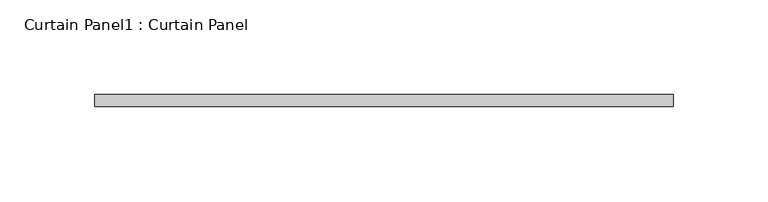
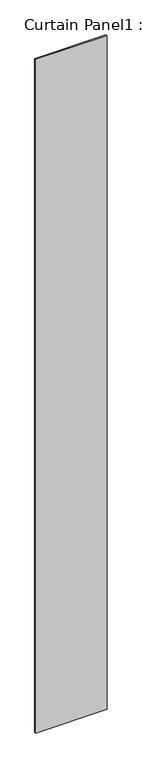
"""IFC4 building model written with IfcOpenShell, lengths in millimetres: plate geometry, Curtain Panel1 : Curtain Panel."""

from ifc_helpers import new_model, si_unit, origin, origin_with_axes, place, context, project, spatial, polyline, outline, extrude, source, transform, mapped, element, save


def curtain_panel1_curtain_panel_7cb4f989(model_context):
    return source(origin(), model_context, "Body", "SweptSolid", [
        extrude(outline(polyline([(125461.459781, 2259.2443285), (125767.4042409, 2259.2443285), (125767.4042409, 2252.8943285), (125461.459781, 2252.8943285), (125461.459781, 2259.2443285)])), origin_with_axes(), (0.0, 0.0, 1.0), 3048.0),
    ])


if __name__ == "__main__":
    model = new_model("IFC4")
    model_context = context("Model", 3, world=origin())
    ifc_project = project(units=[si_unit("LENGTHUNIT", "METRE", prefix="MILLI")], contexts=[model_context])
    site = spatial("IfcSite", under=ifc_project)
    building = spatial("IfcBuilding", under=site)
    placement = place(None, origin())
    curtain_panel1_curtain_panel_shape = curtain_panel1_curtain_panel_7cb4f989(model_context)
    element("IfcPlate", 1, ObjectType="Curtain Panel1 : Curtain Panel", at=placement, inside=building, context=model_context, shape_type="MappedRepresentation", body=[
        mapped(curtain_panel1_curtain_panel_shape, transform((0.0, 0.0, 0.0), x_axis=(1.0, 0.0, 0.0), y_axis=(0.0, 1.0, 0.0), z_axis=(0.0, 0.0, 1.0))),
    ])
    save(model, "model.ifc")
